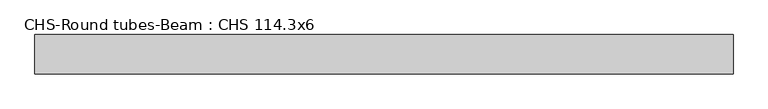
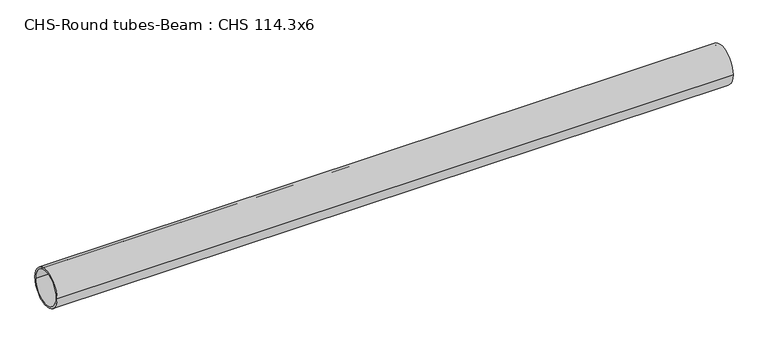
"""IFC4 building model written with IfcOpenShell, lengths in millimetres: beam geometry, CHS-Round tubes-Beam : CHS 114.3x6."""

from ifc_helpers import new_model, si_unit, point, frame, origin, origin_2d, place, context, project, spatial, circle_curve, trimmed, segment, composite_curve, outline, extrude, source, transform, mapped, element, save


def chs_round_tubes_beam_chs_114_3x6_b75ce91d(model_context):
    return source(origin(), model_context, "Body", "SweptSolid", [
        extrude(outline(composite_curve([segment(trimmed(circle_curve(origin_2d(), 57.15), [point((57.15, 0.0))], [point((-57.15, 0.0))], False, "CARTESIAN"), True, "CONTINUOUS"), segment(trimmed(circle_curve(origin_2d(), 57.15), [point((-57.15, 0.0))], [point((57.15, 0.0))], False, "CARTESIAN"), True, "CONTINUOUS")], self_intersect=False), holes=[composite_curve([segment(trimmed(circle_curve(origin_2d(), 51.15), [point((51.15, 0.0))], [point((-51.15, 0.0))], True, "CARTESIAN"), True, "CONTINUOUS"), segment(trimmed(circle_curve(origin_2d(), 51.15), [point((-51.15, 0.0))], [point((51.15, 0.0))], True, "CARTESIAN"), True, "CONTINUOUS")], self_intersect=False)]), frame((-980.2876823, 0.0, 0.0), z_axis=(1.0, 0.0, 0.0), x_axis=(0.0, 1.0, 0.0)), (0.0, 0.0, 1.0), 2021.6819889),
    ])


if __name__ == "__main__":
    model = new_model("IFC4")
    model_context = context("Model", 3, world=origin())
    ifc_project = project(units=[si_unit("LENGTHUNIT", "METRE", prefix="MILLI")], contexts=[model_context])
    site = spatial("IfcSite", under=ifc_project)
    building = spatial("IfcBuilding", under=site)
    placement = place(None, origin())
    chs_round_tubes_beam_chs_114_3x6_shape = chs_round_tubes_beam_chs_114_3x6_b75ce91d(model_context)
    element("IfcBeam", 1, ObjectType="CHS-Round tubes-Beam : CHS 114.3x6", at=placement, inside=building, context=model_context, shape_type="MappedRepresentation", body=[
        mapped(chs_round_tubes_beam_chs_114_3x6_shape, transform((0.0, 0.0, 0.0), x_axis=(1.0, 0.0, 0.0), y_axis=(0.0, 1.0, 0.0), z_axis=(0.0, 0.0, 1.0))),
    ])
    save(model, "model.ifc")
